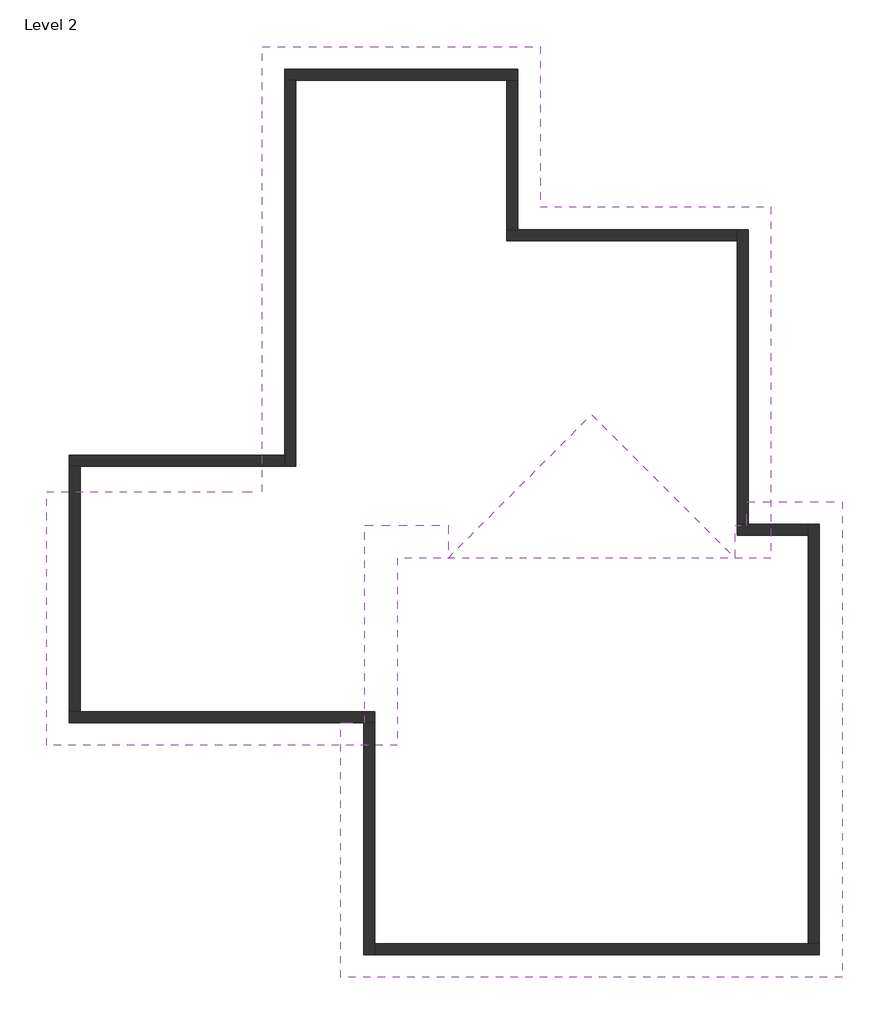
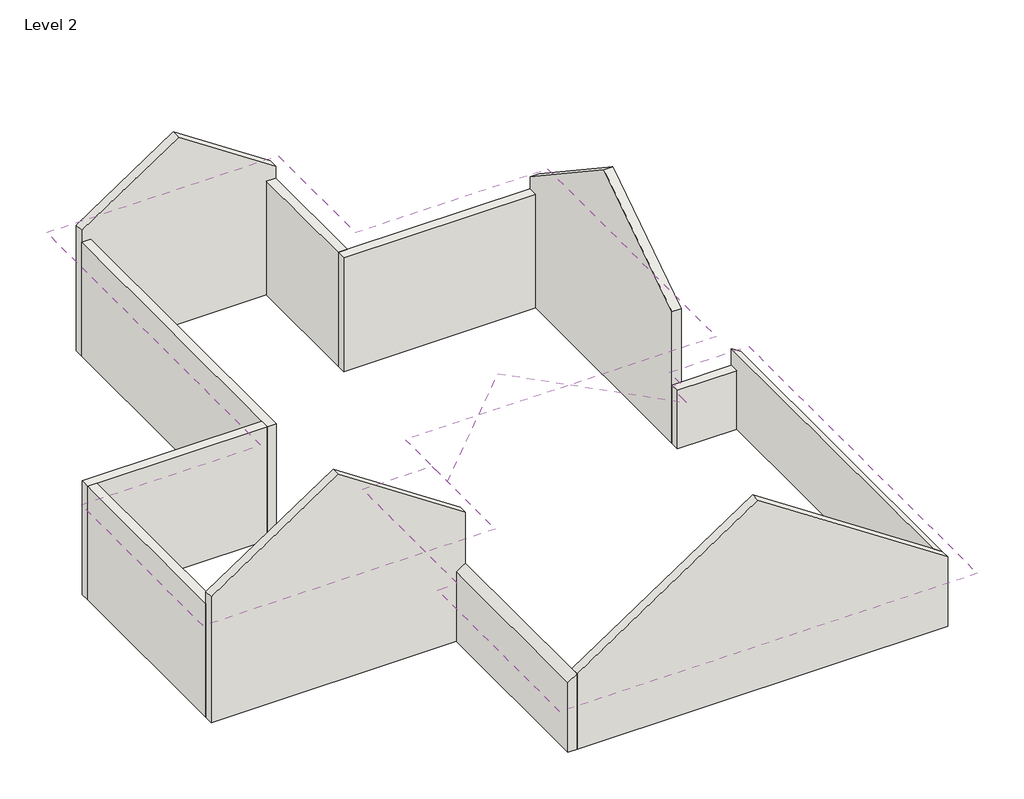
# One storey: 12 walls, 2 roofs.
"""IFC4 building model written with IfcOpenShell, lengths in millimetres."""

from ifc_helpers import new_model, si_unit, frame, origin, place, context, project, spatial, polyline, outline, extrude, faceted_brep, element, save

model = new_model("IFC4")

# Units and contexts
model_context = context("Model", 3, world=origin())
ifc_project = project(units=[si_unit("LENGTHUNIT", "METRE", prefix="MILLI")], contexts=[model_context])

# Site, building, storey
site = spatial("IfcSite", under=ifc_project)
building = spatial("IfcBuilding", under=site)
storey = spatial("IfcBuildingStorey", under=building, Name="Level 2", Elevation=2771.775)

# Roofs
placement = place(None, origin())
element("IfcRoof", 1, ObjectType="Generic - 12\"", at=placement, inside=storey, context=model_context, shape_type="Brep", body=[
    faceted_brep([(18380.06631, -8560.9189868, 6872.8093808), (14100.16631, -8560.9189868, 4019.55), (14100.16631, -4211.1689868, 4019.55), (14506.56631, -4211.1689868, 4290.4826415), (14506.56631, -839.3189868, 4290.4826415), (15928.9709799, -839.3189868, 5238.75), (15928.9709799, -1398.1189868, 5238.75), (16478.4579657, -1398.1189868, 5605.0737218), (18380.06631, 503.4893575, 6872.8093808), (22659.96631, -432.9189868, 4019.55), (22659.96631, -8560.9189868, 4019.55), (20281.6746544, -1398.1189868, 5605.0737218), (20831.1616401, -1398.1189868, 5238.75), (20831.1616401, -839.3189868, 5238.75), (21034.36631, -839.3189868, 5103.280566), (21034.36631, -432.9189868, 5103.280566), (14100.16631, -8560.9189868, 4385.8737218), (18380.06631, -8560.9189868, 7239.1331025), (18380.06631, 1052.9763433, 7239.1331025), (15928.9709799, -1398.1189868, 5605.0737218), (15379.4839942, -1398.1189868, 5238.75), (15379.4839942, -839.3189868, 5238.75), (14506.56631, -839.3189868, 4656.8063633), (14506.56631, -4211.1689868, 4656.8063633), (14100.16631, -4211.1689868, 4385.8737218), (22659.96631, -8560.9189868, 4385.8737218), (22659.96631, -432.9189868, 4385.8737218), (21034.36631, -432.9189868, 5469.6042878), (21034.36631, -1398.1189868, 5469.6042878), (20831.1616401, -1398.1189868, 5605.0737218), (21034.36631, -839.3189868, 5238.75), (21034.36631, -1398.1189868, 5238.75)], [[[0, 1, 2, 3, 4, 5, 6, 7, 8]], [[9, 10, 0, 8, 11, 12, 13, 14, 15]], [[16, 17, 18, 19, 20, 21, 22, 23, 24]], [[25, 26, 27, 28, 29, 18, 17]], [[9, 26, 25, 10]], [[1, 16, 24, 2]], [[25, 17, 16, 1, 0, 10]], [[27, 26, 9, 15]], [[28, 27, 15, 14, 30, 31]], [[24, 23, 3, 2]], [[23, 22, 4, 3]], [[30, 14, 13]], [[22, 21, 5, 4]], [[5, 21, 20, 6]], [[30, 13, 12, 31]], [[20, 19, 7, 6]], [[19, 18, 29, 11, 8, 7]], [[29, 28, 31, 12, 11]]]),
])
element("IfcRoof", 2, ObjectType="Generic - 12\"", at=placement, inside=storey, context=model_context, shape_type="Brep", body=[
    faceted_brep([(15065.36631, -1398.1189868, 5238.75), (15065.36631, -4598.5189868, 5238.75), (12068.16631, -4598.5189868, 7236.8782311), (12068.16631, -266.2314868, 7236.8782311), (12753.96631, -266.2314868, 6779.6793985), (13634.9228171, -266.2314868, 6192.3765601), (13909.66631, -266.2314868, 6009.2146993), (13909.66631, -242.4189868, 6009.2146993), (15752.75381, 1600.6685132, 7237.9365617), (21440.76631, 1600.6685132, 7237.9365617), (21440.76631, -1398.1189868, 5238.75), (21440.76631, 4599.4560132, 5238.75), (15128.86631, 2224.5560132, 6822.0126238), (17503.76631, 4599.4560132, 5238.75), (15128.86631, 7339.4810132, 6822.0126238), (17503.76631, 7339.4810132, 5238.75), (12753.96631, 7339.4810132, 5238.75), (12753.96631, -266.2314868, 5238.75), (9070.96631, -4598.5189868, 5238.75), (9070.96631, -266.2314868, 5238.75), (15065.36631, -4598.5189868, 5605.0737218), (15065.36631, -1398.1189868, 5605.0737218), (13909.66631, -242.4189868, 6375.538421), (13909.66631, -266.2314868, 6375.538421), (12753.96631, -266.2314868, 7146.0031203), (12068.16631, -266.2314868, 7603.2019528), (12068.16631, -4598.5189868, 7603.2019528), (21440.76631, -1398.1189868, 5605.0737218), (21440.76631, 1600.6685132, 7604.2602834), (15752.75381, 1600.6685132, 7604.2602834), (21440.76631, 4599.4560132, 5605.0737218), (17503.76631, 4599.4560132, 5605.0737218), (15128.86631, 2224.5560132, 7188.3363455), (17503.76631, 7339.4810132, 5605.0737218), (15128.86631, 7339.4810132, 7188.3363455), (12753.96631, 7339.4810132, 5605.0737218), (12753.96631, -266.2314868, 5605.0737218), (9070.96631, -4598.5189868, 5605.0737218), (9070.96631, -266.2314868, 5605.0737218)], [[[0, 1, 2, 3, 4, 5, 6, 7]], [[0, 7, 8, 9, 10]], [[11, 9, 8, 12, 13]], [[13, 12, 14, 15]], [[16, 14, 12, 8, 7, 6, 17]], [[18, 19, 3, 2]], [[20, 21, 22, 23, 24, 25, 26]], [[21, 27, 28, 29, 22]], [[30, 31, 32, 29, 28]], [[31, 33, 34, 32]], [[35, 36, 5, 23, 22, 29, 32, 34]], [[37, 26, 25, 38]], [[0, 21, 20, 1]], [[10, 27, 21, 0]], [[13, 31, 30, 11]], [[15, 33, 31, 13]], [[17, 36, 35, 16]], [[18, 37, 38, 19]], [[20, 26, 37, 18, 2, 1]], [[38, 25, 24, 23, 5, 4, 3, 19]], [[35, 34, 33, 15, 14, 16]], [[30, 28, 27, 10, 9, 11]], [[5, 36, 17, 6]]]),
])

# Walls
element("IfcWall", 3, ObjectType="2x6 Exterior with Vinyl Siding", at=placement, inside=storey, context=model_context, shape_type="Brep", body=[
    faceted_brep([(9458.31631, -4211.1689868, 2771.775), (14487.51631, -4211.1689868, 2771.775), (14674.84131, -4211.1689868, 2771.775), (14674.84131, -4211.1689868, 4402.6656884), (14674.84131, -4211.1689868, 5499.0993352), (12068.16631, -4211.1689868, 7236.8782311), (9458.31631, -4211.1689868, 5496.9826739), (9458.31631, -4023.8439868, 2771.775), (9458.31631, -4023.8439868, 5238.75), (9458.31631, -4023.8439868, 5496.9826739), (12068.16631, -4023.8439868, 7236.8782311), (14674.84131, -4023.8439868, 5499.0993352), (14674.84131, -4023.8439868, 2771.775), (9645.64131, -4023.8439868, 2771.775)], [[[0, 1, 2, 3, 4, 5, 6]], [[7, 8, 9, 10, 11, 12, 13]], [[2, 1, 0, 7, 13, 12]], [[4, 3, 2, 12, 11]], [[0, 6, 9, 8, 7]], [[6, 5, 10, 9]], [[5, 4, 11, 10]]]),
])
element("IfcWall", 4, ObjectType="2x6 Exterior with Vinyl Siding", at=placement, inside=storey, context=model_context, shape_type="Brep", body=[
    faceted_brep([(14487.51631, -4211.1689868, 2771.775), (14487.51631, -8173.5689868, 2771.775), (14487.51631, -8173.5689868, 4277.7826739), (14487.51631, -4211.1689868, 4277.7826739), (14674.84131, -4211.1689868, 2771.775), (14674.84131, -4211.1689868, 4402.6656884), (14674.84131, -7986.2439868, 4402.6656884), (14674.84131, -8173.5689868, 4402.6656884), (14674.84131, -8173.5689868, 2771.775), (14674.84131, -7986.2439868, 2771.775), (14506.56631, -4211.1689868, 4290.4826415), (14506.56631, -8173.5689868, 4290.4826415)], [[[0, 1, 2, 3]], [[4, 5, 6, 7, 8, 9]], [[1, 0, 4, 9, 8]], [[0, 3, 10, 5, 4]], [[2, 1, 8, 7, 11]], [[11, 7, 6, 5, 10, 3, 2]]]),
])
element("IfcWall", 5, ObjectType="2x6 Exterior with Vinyl Siding", at=placement, inside=storey, context=model_context, shape_type="Brep", body=[
    faceted_brep([(14674.84131, -8173.5689868, 2771.775), (22272.61631, -8173.5689868, 2771.775), (22272.61631, -8173.5689868, 4277.7826739), (18380.06631, -8173.5689868, 6872.8093808), (14674.84131, -8173.5689868, 4402.6656884), (14674.84131, -7986.2439868, 2771.775), (14674.84131, -7986.2439868, 4402.6656884), (18380.06631, -7986.2439868, 6872.8093808), (22085.29131, -7986.2439868, 4402.6656884), (22272.61631, -7986.2439868, 4277.7826739), (22272.61631, -7986.2439868, 2771.775), (22085.29131, -7986.2439868, 2771.775)], [[[0, 1, 2, 3, 4]], [[5, 6, 7, 8, 9, 10, 11]], [[1, 0, 5, 11, 10]], [[0, 4, 6, 5]], [[2, 1, 10, 9]], [[4, 3, 7, 6]], [[3, 2, 9, 8, 7]]]),
])
element("IfcWall", 6, ObjectType="2x6 Exterior with Vinyl Siding", at=placement, inside=storey, context=model_context, shape_type="Brep", body=[
    faceted_brep([(22272.61631, -7986.2439868, 2771.775), (22272.61631, -820.2689868, 2771.775), (22272.61631, -820.2689868, 4277.7826739), (22272.61631, -7986.2439868, 4277.7826739), (22085.29131, -7986.2439868, 2771.775), (22085.29131, -7986.2439868, 4402.6656884), (22085.29131, -820.2689868, 4402.6656884), (22085.29131, -820.2689868, 4037.6710033), (22085.29131, -820.2689868, 2771.775), (22085.29131, -1007.5939868, 2771.775)], [[[0, 1, 2, 3]], [[4, 5, 6, 7, 8, 9]], [[1, 0, 4, 9, 8]], [[0, 3, 5, 4]], [[2, 1, 8, 7, 6]], [[3, 2, 6, 5]]]),
])
element("IfcWall", 7, ObjectType="2x6 Exterior with Vinyl Siding", at=placement, inside=storey, context=model_context, shape_type="Brep", body=[
    faceted_brep([(22085.29131, -820.2689868, 2771.775), (21053.41631, -820.2689868, 2771.775), (20866.09131, -820.2689868, 2771.775), (20866.09131, -820.2689868, 4037.6710033), (22085.29131, -820.2689868, 4037.6710033), (22085.29131, -1007.5939868, 2771.775), (22085.29131, -1007.5939868, 4037.6710033), (20866.09131, -1007.5939868, 4037.6710033), (20866.09131, -1007.5939868, 2771.775)], [[[0, 1, 2, 3, 4]], [[5, 6, 7, 8]], [[2, 1, 0, 5, 8]], [[4, 3, 7, 6]], [[0, 4, 6, 5]], [[3, 2, 8, 7]]]),
])
element("IfcWall", 8, ObjectType="2x6 Exterior with Vinyl Siding", at=placement, inside=storey, context=model_context, shape_type="Brep", body=[
    faceted_brep([(21053.41631, -820.2689868, 2771.775), (21053.41631, 4212.1060132, 2771.775), (21053.41631, 4212.1060132, 5496.9826739), (21053.41631, 1600.6685132, 7237.9365617), (21053.41631, -820.2689868, 5623.9823496), (20866.09131, -820.2689868, 2771.775), (20866.09131, -820.2689868, 4037.6710033), (20866.09131, -820.2689868, 5623.9823496), (20866.09131, 1600.6685132, 7237.9365617), (20866.09131, 4212.1060132, 5496.9826739), (20866.09131, 4212.1060132, 5238.75), (20866.09131, 4212.1060132, 2771.775), (20866.09131, 4024.7810132, 2771.775)], [[[0, 1, 2, 3, 4]], [[5, 6, 7, 8, 9, 10, 11, 12]], [[1, 0, 5, 12, 11]], [[0, 4, 7, 6, 5]], [[2, 1, 11, 10, 9]], [[4, 3, 8, 7]], [[3, 2, 9, 8]]]),
])
element("IfcWall", 9, ObjectType="2x6 Exterior with Vinyl Siding", at=placement, inside=storey, context=model_context, shape_type="Brep", body=[
    faceted_brep([(17116.41631, 6952.1310132, 2771.775), (13141.31631, 6952.1310132, 2771.775), (13141.31631, 6952.1310132, 5496.9826739), (15128.86631, 6952.1310132, 6822.0126238), (17116.41631, 6952.1310132, 5496.9826739), (17116.41631, 6764.8060132, 2771.775), (17116.41631, 6764.8060132, 5238.75), (17116.41631, 6764.8060132, 5496.9826739), (15128.86631, 6764.8060132, 6822.0126238), (13141.31631, 6764.8060132, 5496.9826739), (13141.31631, 6764.8060132, 5238.75), (13141.31631, 6764.8060132, 2771.775), (13328.64131, 6764.8060132, 2771.775), (16929.09131, 6764.8060132, 2771.775)], [[[0, 1, 2, 3, 4]], [[5, 6, 7, 8, 9, 10, 11, 12, 13]], [[1, 0, 5, 13, 12, 11]], [[2, 1, 11, 10, 9]], [[0, 4, 7, 6, 5]], [[4, 3, 8, 7]], [[3, 2, 9, 8]]]),
])
element("IfcWall", 10, ObjectType="2x6 Exterior with Vinyl Siding", at=placement, inside=storey, context=model_context, shape_type="Brep", body=[
    faceted_brep([(13141.31631, 6764.8060132, 2771.775), (13141.31631, 360.8310132, 2771.775), (13141.31631, 173.5060132, 2771.775), (13141.31631, 173.5060132, 5238.75), (13141.31631, 360.8310132, 5238.75), (13141.31631, 6764.8060132, 5238.75), (13328.64131, 6764.8060132, 2771.775), (13328.64131, 6764.8060132, 5238.75), (13328.64131, 173.5060132, 5238.75), (13328.64131, 173.5060132, 2771.775)], [[[0, 1, 2, 3, 4, 5]], [[6, 7, 8, 9]], [[2, 1, 0, 6, 9]], [[5, 4, 3, 8, 7]], [[0, 5, 7, 6]], [[3, 2, 9, 8]]]),
])
element("IfcWall", 11, ObjectType="2x6 Exterior with Vinyl Siding", at=placement, inside=storey, context=model_context, shape_type="Brep", body=[
    faceted_brep([(13141.31631, 360.8310132, 2771.775), (9458.31631, 360.8310132, 2771.775), (9458.31631, 360.8310132, 5238.75), (13141.31631, 360.8310132, 5238.75), (13141.31631, 173.5060132, 2771.775), (13141.31631, 173.5060132, 5238.75), (9645.64131, 173.5060132, 5238.75), (9458.31631, 173.5060132, 5238.75), (9458.31631, 173.5060132, 2771.775), (9645.64131, 173.5060132, 2771.775)], [[[0, 1, 2, 3]], [[4, 5, 6, 7, 8, 9]], [[1, 0, 4, 9, 8]], [[3, 2, 7, 6, 5]], [[0, 3, 5, 4]], [[2, 1, 8, 7]]]),
])
element("IfcWall", 12, ObjectType="2x6 Exterior with Vinyl Siding", at=placement, inside=storey, context=model_context, shape_type="SweptSolid", body=[
    extrude(outline(polyline([(9458.31631, -4023.8439868), (9458.31631, 173.5060132), (9645.64131, 173.5060132), (9645.64131, -4023.8439868), (9458.31631, -4023.8439868)])), frame((0.0, 0.0, 2771.775), z_axis=(0.0, 0.0, 1.0), x_axis=(1.0, 0.0, 0.0)), (0.0, 0.0, 1.0), 2466.975),
])
element("IfcWall", 13, ObjectType="2x6 Exterior with Vinyl Siding", at=placement, inside=storey, context=model_context, shape_type="Brep", body=[
    faceted_brep([(20866.09131, 4212.1060132, 2771.775), (17116.41631, 4212.1060132, 2771.775), (16929.09131, 4212.1060132, 2771.775), (16929.09131, 4212.1060132, 5238.75), (17116.41631, 4212.1060132, 5238.75), (20866.09131, 4212.1060132, 5238.75), (20866.09131, 4024.7810132, 2771.775), (20866.09131, 4024.7810132, 5238.75), (16929.09131, 4024.7810132, 5238.75), (16929.09131, 4024.7810132, 2771.775)], [[[0, 1, 2, 3, 4, 5]], [[6, 7, 8, 9]], [[2, 1, 0, 6, 9]], [[5, 4, 3, 8, 7]], [[3, 2, 9, 8]], [[0, 5, 7, 6]]]),
])
element("IfcWall", 14, ObjectType="2x6 Exterior with Vinyl Siding", at=placement, inside=storey, context=model_context, shape_type="SweptSolid", body=[
    extrude(outline(polyline([(17116.41631, 6764.8060132), (17116.41631, 4212.1060132), (16929.09131, 4212.1060132), (16929.09131, 6764.8060132), (17116.41631, 6764.8060132)])), frame((0.0, 0.0, 2771.775), z_axis=(0.0, 0.0, 1.0), x_axis=(1.0, 0.0, 0.0)), (0.0, 0.0, 1.0), 2466.975),
])

save(model, "model.ifc")
